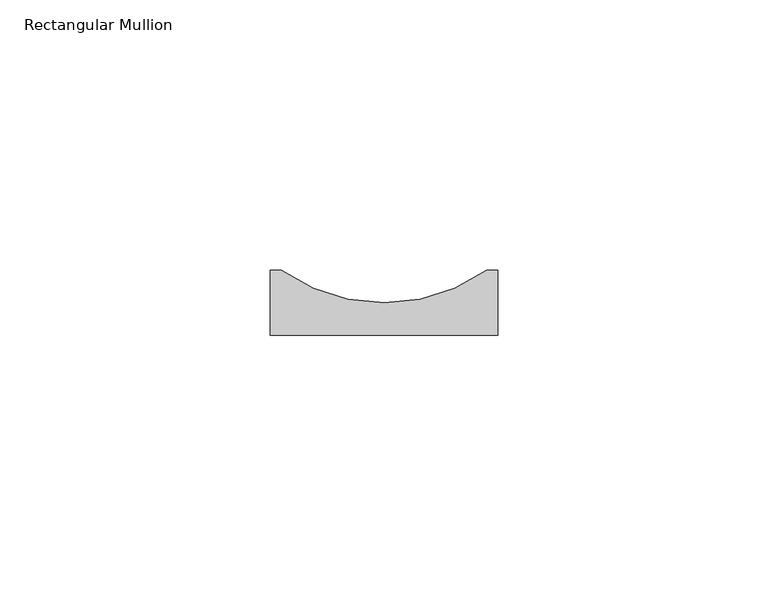
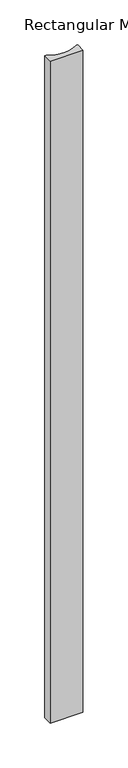
"""IFC4 building model written with IfcOpenShell, lengths in millimetres: member geometry, Rectangular Mullion."""

from ifc_helpers import new_model, si_unit, point, frame, frame_2d, origin, place, context, project, spatial, polyline, circle_curve, trimmed, segment, composite_curve, outline, extrude, source, transform, mapped, element, save


def rectangular_mullion_2e5ee165(model_context):
    return source(origin(), model_context, "Body", "SweptSolid", [
        extrude(outline(composite_curve([segment(polyline([(-21.0, 12.0), (-19.0, 12.0)]), True, "CONTINUOUS"), segment(trimmed(circle_curve(frame_2d((0.0, 39.0290149)), 33.0388808), [point((-19.0, 12.0))], [point((19.0, 12.0))], True, "CARTESIAN"), True, "CONTINUOUS"), segment(polyline([(19.0, 12.0), (21.0, 12.0), (21.0, 0.0), (-21.0, 0.0), (-21.0, 12.0)]), True, "CONTINUOUS")], self_intersect=False)), frame((0.0, 0.0, -900.0), z_axis=(0.0, 0.0, 1.0), x_axis=(1.0, 0.0, 0.0)), (0.0, 0.0, 1.0), 900.0),
    ])


if __name__ == "__main__":
    model = new_model("IFC4")
    model_context = context("Model", 3, world=origin())
    ifc_project = project(units=[si_unit("LENGTHUNIT", "METRE", prefix="MILLI")], contexts=[model_context])
    site = spatial("IfcSite", under=ifc_project)
    building = spatial("IfcBuilding", under=site)
    placement = place(None, origin())
    rectangular_mullion_shape = rectangular_mullion_2e5ee165(model_context)
    element("IfcMember", 1, ObjectType="Rectangular Mullion", at=placement, inside=building, context=model_context, shape_type="MappedRepresentation", body=[
        mapped(rectangular_mullion_shape, transform((0.0, 0.0, 0.0), x_axis=(1.0, 0.0, 0.0), y_axis=(0.0, 1.0, 0.0), z_axis=(0.0, 0.0, 1.0))),
    ])
    save(model, "model.ifc")
